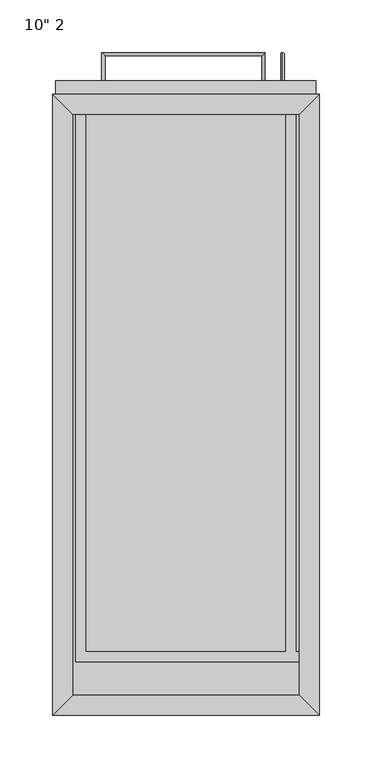
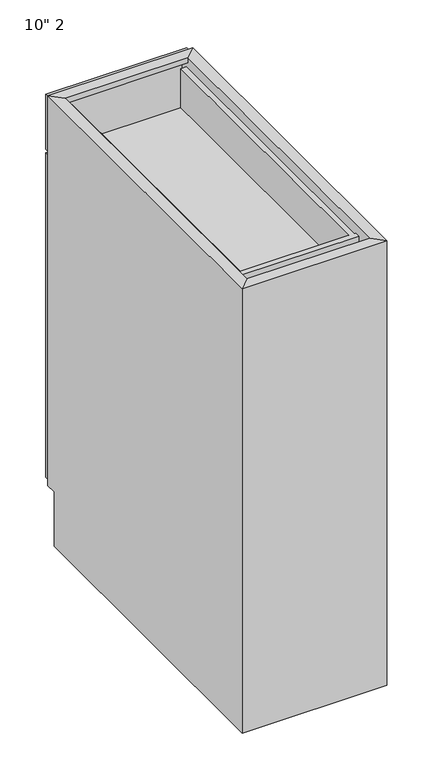
"""IFC4 building model written with IfcOpenShell, lengths in millimetres: furniture geometry."""

from ifc_helpers import new_model, si_unit, frame, origin, place, context, project, spatial, polyline, circle_curve, ellipse_curve, outline, extrude, faceted_brep, source, transform, mapped, element, save
from ifc_brep_helpers import plane_surface, cylinder_surface, advanced_brep


def furniture_2ebb9e74(model_context):
    return source(origin(), model_context, "Body", "SolidModel", [
        advanced_brep(
        [(110.8127049, 603.25, 611.1875), (110.8127049, 603.25, 608.0125), (110.8127049, 627.0625, 608.0125), (110.8127049, 630.2375, 611.1875), (110.8127049, 627.0625, 458.7875), (110.8127049, 630.2375, 455.6125), (110.8127049, 603.25, 455.6125), (110.8127049, 603.25, 458.7875)],
        [
            (0, 1, circle_curve(frame((110.8127049, 603.25, 609.6), z_axis=(0.0, -1.0, 0.0), x_axis=(0.0, 0.0, -1.0)), 1.5875)),
            (1, 0, circle_curve(frame((110.8127049, 603.25, 609.6), z_axis=(0.0, -1.0, 0.0), x_axis=(0.0, 0.0, -1.0)), 1.5875)),
            (1, 2),
            (2, 3, ellipse_curve(frame((110.8127049, 628.65, 609.6), z_axis=(0.0, -0.7071067811865475, 0.7071067811865475), x_axis=(0.0, -0.7071067811865476, -0.7071067811865474)), 2.245064, 1.5875)),
            (3, 0),
            (3, 2, ellipse_curve(frame((110.8127049, 628.65, 609.6), z_axis=(0.0, -0.7071067811865475, 0.7071067811865475), x_axis=(0.0, -0.7071067811865476, -0.7071067811865474)), 2.245064, 1.5875)),
            (2, 4),
            (4, 5, ellipse_curve(frame((110.8127049, 628.65, 457.2), z_axis=(0.0, 0.7071067811865475, 0.7071067811865475), x_axis=(0.0, -0.7071067811865474, 0.7071067811865476)), 2.245064, 1.5875)),
            (5, 3),
            (5, 4, ellipse_curve(frame((110.8127049, 628.65, 457.2), z_axis=(0.0, 0.7071067811865475, 0.7071067811865475), x_axis=(0.0, -0.7071067811865474, 0.7071067811865476)), 2.245064, 1.5875)),
            (6, 7, circle_curve(frame((110.8127049, 603.25, 457.2), z_axis=(0.0, -1.0, 0.0), x_axis=(0.0, 0.0, 1.0)), 1.5875)),
            (7, 6, circle_curve(frame((110.8127049, 603.25, 457.2), z_axis=(0.0, -1.0, 0.0), x_axis=(0.0, 0.0, 1.0)), 1.5875)),
            (4, 7),
            (6, 5),
        ],
        [
            plane_surface(frame((110.8127049, 603.25, 609.6), z_axis=(0.0, -1.0, 0.0), x_axis=(1.0, 0.0, 0.0))),
            cylinder_surface(frame((110.8127049, 603.25, 609.6), z_axis=(0.0, -1.0, 0.0), x_axis=(0.0, 0.0, -1.0)), 1.5875),
            cylinder_surface(frame((110.8127049, 628.65, 609.6), z_axis=(0.0, 0.0, 1.0), x_axis=(0.0, -1.0, 0.0)), 1.5875),
            plane_surface(frame((110.8127049, 603.25, 457.2), z_axis=(0.0, -1.0, 0.0), x_axis=(1.0, 0.0, 0.0))),
            cylinder_surface(frame((110.8127049, 628.65, 457.2), z_axis=(0.0, 1.0, 0.0), x_axis=(0.0, 0.0, 1.0)), 1.5875),
        ],
        [
            (0, [[1, 2]]),
            (1, [[3, 4, 5, -2]]),
            (1, [[-5, 6, -3, -1]]),
            (2, [[7, 8, 9, -4]]),
            (2, [[-9, 10, -7, -6]]),
            (3, [[11, 12]]),
            (4, [[13, -11, 14, -8]]),
            (4, [[-14, -12, -13, -10]]),
        ],
    ),
        extrude(outline(polyline([(142.5627049, 603.25), (142.5627049, 590.55), (-105.0872951, 590.55), (-105.0872951, 603.25), (142.5627049, 603.25)])), frame((0.0, 0.0, 107.95), z_axis=(0.0, 0.0, 1.0), x_axis=(1.0, 0.0, 0.0)), (0.0, 0.0, 1.0), 603.25),
        extrude(outline(polyline([(142.5627049, 603.25), (142.5627049, 590.55), (-105.0872951, 590.55), (-105.0872951, 603.25), (142.5627049, 603.25)])), frame((0.0, 0.0, 717.55), z_axis=(0.0, 0.0, 1.0), x_axis=(1.0, 0.0, 0.0)), (0.0, 0.0, 1.0), 101.6),
        advanced_brep(
        [(-61.4022887, 603.25, 768.5912891), (-58.2272887, 603.25, 768.5912891), (-58.2272887, 627.0625, 768.5912891), (-61.4022887, 630.2375, 768.5912891), (90.9977113, 627.0625, 768.5912891), (94.1727113, 630.2375, 768.5912891), (94.1727113, 603.25, 768.5912891), (90.9977113, 603.25, 768.5912891)],
        [
            (0, 1, circle_curve(frame((-59.8147887, 603.25, 768.5912891), z_axis=(0.0, -1.0, 0.0), x_axis=(1.0, 0.0, 0.0)), 1.5875)),
            (1, 0, circle_curve(frame((-59.8147887, 603.25, 768.5912891), z_axis=(0.0, -1.0, 0.0), x_axis=(1.0, 0.0, 0.0)), 1.5875)),
            (1, 2),
            (2, 3, ellipse_curve(frame((-59.8147887, 628.65, 768.5912891), z_axis=(-0.7071067811865475, -0.7071067811865475, 0.0), x_axis=(0.7071067811865474, -0.7071067811865476, 0.0)), 2.245064, 1.5875)),
            (3, 0),
            (3, 2, ellipse_curve(frame((-59.8147887, 628.65, 768.5912891), z_axis=(-0.7071067811865475, -0.7071067811865475, 0.0), x_axis=(0.7071067811865474, -0.7071067811865476, 0.0)), 2.245064, 1.5875)),
            (2, 4),
            (4, 5, ellipse_curve(frame((92.5852113, 628.65, 768.5912891), z_axis=(-0.7071067811865475, 0.7071067811865475, 0.0), x_axis=(-0.7071067811865476, -0.7071067811865474, 0.0)), 2.245064, 1.5875)),
            (5, 3),
            (5, 4, ellipse_curve(frame((92.5852113, 628.65, 768.5912891), z_axis=(-0.7071067811865475, 0.7071067811865475, 0.0), x_axis=(-0.7071067811865476, -0.7071067811865474, 0.0)), 2.245064, 1.5875)),
            (6, 7, circle_curve(frame((92.5852113, 603.25, 768.5912891), z_axis=(0.0, -1.0, 0.0), x_axis=(-1.0, 0.0, 0.0)), 1.5875)),
            (7, 6, circle_curve(frame((92.5852113, 603.25, 768.5912891), z_axis=(0.0, -1.0, 0.0), x_axis=(-1.0, 0.0, 0.0)), 1.5875)),
            (4, 7),
            (6, 5),
        ],
        [
            plane_surface(frame((-59.8147887, 603.25, 768.5912891), z_axis=(0.0, -1.0, 0.0), x_axis=(0.0, 0.0, 1.0))),
            cylinder_surface(frame((-59.8147887, 603.25, 768.5912891), z_axis=(0.0, -1.0, 0.0), x_axis=(1.0, 0.0, 0.0)), 1.5875),
            cylinder_surface(frame((-59.8147887, 628.65, 768.5912891), z_axis=(-1.0, 0.0, 0.0), x_axis=(0.0, -1.0, 0.0)), 1.5875),
            plane_surface(frame((92.5852113, 603.25, 768.5912891), z_axis=(0.0, -1.0, 0.0), x_axis=(0.0, 0.0, 1.0))),
            cylinder_surface(frame((92.5852113, 628.65, 768.5912891), z_axis=(0.0, 1.0, 0.0), x_axis=(-1.0, 0.0, 0.0)), 1.5875),
        ],
        [
            (0, [[1, 2]]),
            (1, [[3, 4, 5, -2]]),
            (1, [[-5, 6, -3, -1]]),
            (2, [[7, 8, 9, -4]]),
            (2, [[-9, 10, -7, -6]]),
            (3, [[11, 12]]),
            (4, [[13, -11, 14, -8]]),
            (4, [[-14, -12, -13, -10]]),
        ],
    ),
        faceted_brep([(126.6877049, 571.5, 101.6), (126.6877049, 571.5, 107.95), (-89.2122951, 571.5, 107.95), (-89.2122951, 571.5, 101.6), (-89.2122951, 571.5, 825.5), (-89.2122951, 571.5, 815.975), (126.6877049, 571.5, 815.975), (126.6877049, 571.5, 825.5), (-89.2122951, 571.5, 650.875), (126.6877049, 571.5, 650.875), (126.6877049, 571.5, 676.275), (-89.2122951, 571.5, 676.275), (145.7377049, 590.55, 825.5), (-108.2622951, 590.55, 825.5), (145.7377049, 590.55, 101.6), (-108.2622951, 590.55, 101.6), (-89.2122951, 590.55, 676.275), (126.6877049, 590.55, 676.275), (126.6877049, 590.55, 815.975), (-89.2122951, 590.55, 815.975), (-89.2122951, 590.55, 107.95), (126.6877049, 590.55, 107.95), (126.6877049, 590.55, 650.875), (-89.2122951, 590.55, 650.875), (-89.2122951, 19.05, 101.6), (-89.2122951, 19.05, 825.5), (-108.2622951, 0.0, 825.5), (-108.2622951, 571.5, 101.6), (-108.2622951, 571.5, 0.0), (-108.2622951, 0.0, 0.0), (126.6877049, 19.05, 825.5), (126.6877049, 19.05, 101.6), (145.7377049, 0.0, 825.5), (145.7377049, 0.0, 0.0), (145.7377049, 571.5, 0.0), (145.7377049, 571.5, 101.6)], [[[0, 1, 2, 3]], [[4, 5, 6, 7]], [[8, 9, 10, 11]], [[7, 12, 13, 4]], [[12, 14, 15, 13], [16, 17, 18, 19], [20, 21, 22, 23]], [[3, 15, 14, 0]], [[24, 3, 2, 20, 23, 8, 11, 16, 19, 5, 4, 25]], [[13, 26, 25, 4]], [[15, 27, 28, 29, 26, 13]], [[3, 27, 15]], [[25, 30, 31, 24]], [[26, 32, 30, 25]], [[26, 29, 33, 32]], [[30, 7, 6, 18, 17, 10, 9, 22, 21, 1, 0, 31]], [[7, 30, 32, 12]], [[12, 32, 33, 34, 35, 14]], [[14, 35, 0]], [[3, 24, 31, 0]], [[33, 29, 28, 34]], [[28, 27, 3, 0, 35, 34]], [[11, 10, 17, 16]], [[19, 18, 6, 5]], [[2, 1, 21, 20]], [[23, 22, 9, 8]]]),
        faceted_brep([(-86.0372951, 50.9683358, 727.075), (123.5127049, 50.9683358, 727.075), (123.5127049, 50.9683358, 736.6), (126.6877049, 50.9683358, 736.6), (126.6877049, 50.9683358, 809.625), (-86.0372951, 50.9683358, 809.625), (-86.0372951, 571.5, 809.625), (-86.0372951, 571.5, 727.075), (126.6877049, 60.4933358, 809.625), (123.5127049, 60.4933358, 809.625), (123.5127049, 571.5, 809.625), (113.9877049, 571.5, 809.625), (113.9877049, 60.4933358, 809.625), (-76.5122951, 60.4933358, 809.625), (-76.5122951, 571.5, 809.625), (-76.5122951, 60.4933358, 736.6), (-76.5122951, 571.5, 736.6), (113.9877049, 60.4933358, 736.6), (113.9877049, 571.5, 736.6), (123.5127049, 571.5, 727.075), (123.5127049, 60.4933358, 736.6), (126.6877049, 60.4933358, 736.6)], [[[0, 1, 2, 3, 4, 5]], [[5, 6, 7, 0]], [[8, 9, 10, 11, 12, 13, 14, 6, 5, 4]], [[15, 16, 14, 13]], [[17, 18, 16, 15]], [[12, 11, 18, 17]], [[1, 19, 10, 9, 20, 2]], [[0, 7, 19, 1]], [[3, 2, 20, 21]], [[21, 20, 9, 8]], [[12, 17, 15, 13]], [[4, 3, 21, 8]], [[6, 14, 16, 18, 11, 10, 19, 7]]]),
        extrude(outline(polyline([(126.6877049, 19.05), (-89.2122951, 19.05), (-89.2122951, 571.5), (126.6877049, 571.5), (126.6877049, 19.05)])), frame((0.0, 0.0, 101.6), z_axis=(0.0, 0.0, 1.0), x_axis=(1.0, 0.0, 0.0)), (0.0, 0.0, 1.0), 6.35),
    ])


if __name__ == "__main__":
    model = new_model("IFC4")
    model_context = context("Model", 3, world=origin())
    ifc_project = project(units=[si_unit("LENGTHUNIT", "METRE", prefix="MILLI")], contexts=[model_context])
    site = spatial("IfcSite", under=ifc_project)
    building = spatial("IfcBuilding", under=site)
    placement = place(None, origin())
    furniture_shape = furniture_2ebb9e74(model_context)
    element("IfcFurniture", 1, ObjectType="10\" 2", at=placement, inside=building, context=model_context, shape_type="MappedRepresentation", body=[
        mapped(furniture_shape, transform((0.0, 0.0, 0.0), x_axis=(1.0, 0.0, 0.0), y_axis=(0.0, 1.0, 0.0), z_axis=(0.0, 0.0, 1.0))),
    ])
    save(model, "model.ifc")
